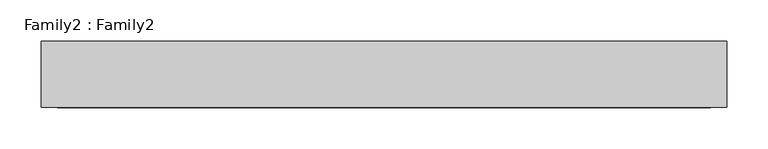
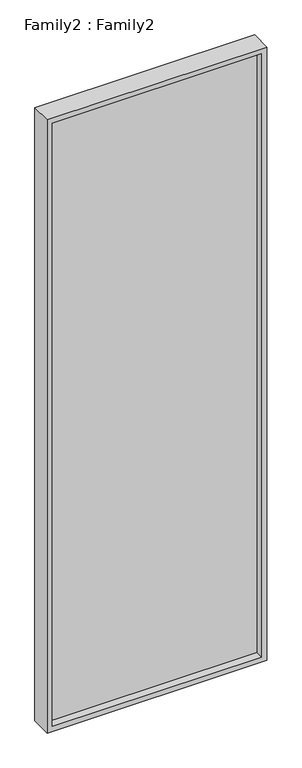
"""IFC4 building model written with IfcOpenShell, lengths in millimetres: plate geometry, Family2 : Family2."""

from ifc_helpers import new_model, si_unit, frame, origin, place, context, project, spatial, polyline, outline, extrude, source, transform, mapped, element, save


def family2_family2_6755e38b(model_context):
    return source(origin(), model_context, "Body", "SweptSolid", [
        extrude(outline(polyline([(2450.0, -415.0), (0.0, -415.0), (0.0, 415.0), (2450.0, 415.0), (2450.0, -415.0)]), holes=[polyline([(20.0, -395.0), (2430.0, -395.0), (2430.0, 395.0), (20.0, 395.0), (20.0, -395.0)])]), frame((0.0, -40.0, 0.0), z_axis=(0.0, 1.0, 0.0), x_axis=(0.0, 0.0, 1.0)), (0.0, 0.0, 1.0), 80.0),
        extrude(outline(polyline([(395.0, -10.0), (-395.0, -10.0), (-395.0, 10.0), (395.0, 10.0), (395.0, -10.0)])), frame((0.0, 0.0, 20.0), z_axis=(0.0, 0.0, 1.0), x_axis=(1.0, 0.0, 0.0)), (0.0, 0.0, 1.0), 2410.0),
    ])


if __name__ == "__main__":
    model = new_model("IFC4")
    model_context = context("Model", 3, world=origin())
    ifc_project = project(units=[si_unit("LENGTHUNIT", "METRE", prefix="MILLI")], contexts=[model_context])
    site = spatial("IfcSite", under=ifc_project)
    building = spatial("IfcBuilding", under=site)
    placement = place(None, origin())
    family2_family2_shape = family2_family2_6755e38b(model_context)
    element("IfcPlate", 1, ObjectType="Family2 : Family2", at=placement, inside=building, context=model_context, shape_type="MappedRepresentation", body=[
        mapped(family2_family2_shape, transform((0.0, 0.0, 0.0), x_axis=(1.0, 0.0, 0.0), y_axis=(0.0, 1.0, 0.0), z_axis=(0.0, 0.0, 1.0))),
    ])
    save(model, "model.ifc")
